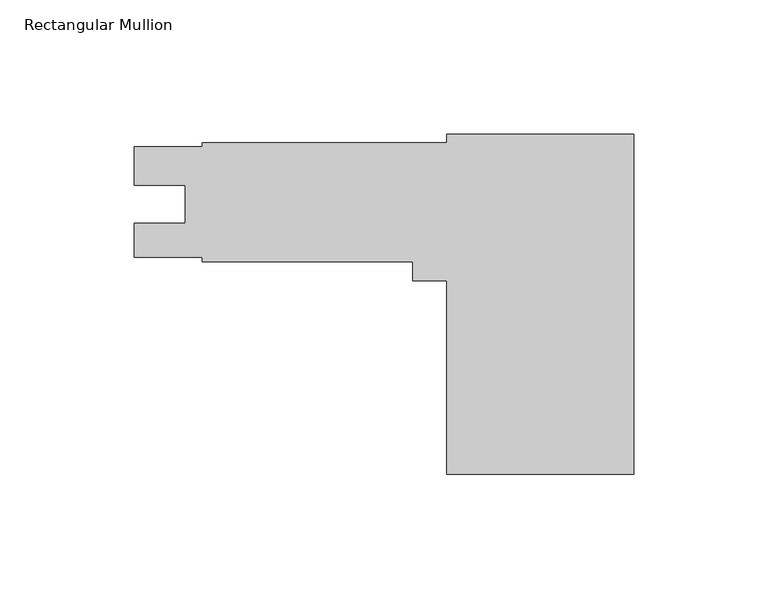
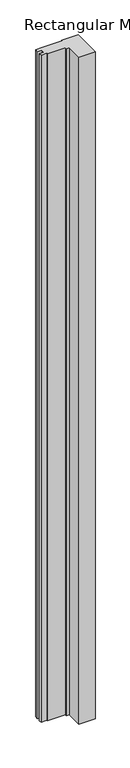
"""IFC4 building model written with IfcOpenShell, lengths in millimetres: member geometry, Rectangular Mullion."""

from ifc_helpers import new_model, si_unit, frame, origin, place, context, project, spatial, polyline, outline, extrude, source, transform, mapped, element, save


def rectangular_mullion_af49949f(model_context):
    return source(origin(), model_context, "Body", "SweptSolid", [
        extrude(outline(polyline([(-161.13125, 58.8263837), (-161.13125, 60.4139), (-69.85, 60.4139), (-69.85, 63.5889), (0.0, 63.5889), (0.0, -63.4111), (-69.85, -63.4111), (-69.85, 8.801227), (-82.55, 8.801227), (-82.55, 15.9639), (-161.13125, 15.9639), (-161.13125, 17.5641), (-186.53125, 17.5641), (-186.53125, 30.2768), (-167.4939509, 30.2768), (-167.4939509, 44.5643), (-186.53125, 44.5643), (-186.53125, 58.8263837), (-161.13125, 58.8263837)])), frame((0.0, 0.0, -3048.0), z_axis=(0.0, 0.0, 1.0), x_axis=(1.0, 0.0, 0.0)), (0.0, 0.0, 1.0), 3048.0),
    ])


if __name__ == "__main__":
    model = new_model("IFC4")
    model_context = context("Model", 3, world=origin())
    ifc_project = project(units=[si_unit("LENGTHUNIT", "METRE", prefix="MILLI")], contexts=[model_context])
    site = spatial("IfcSite", under=ifc_project)
    building = spatial("IfcBuilding", under=site)
    placement = place(None, origin())
    rectangular_mullion_shape = rectangular_mullion_af49949f(model_context)
    element("IfcMember", 1, ObjectType="Rectangular Mullion", at=placement, inside=building, context=model_context, shape_type="MappedRepresentation", body=[
        mapped(rectangular_mullion_shape, transform((0.0, 0.0, 0.0), x_axis=(1.0, 0.0, 0.0), y_axis=(0.0, 1.0, 0.0), z_axis=(0.0, 0.0, 1.0))),
    ])
    save(model, "model.ifc")
